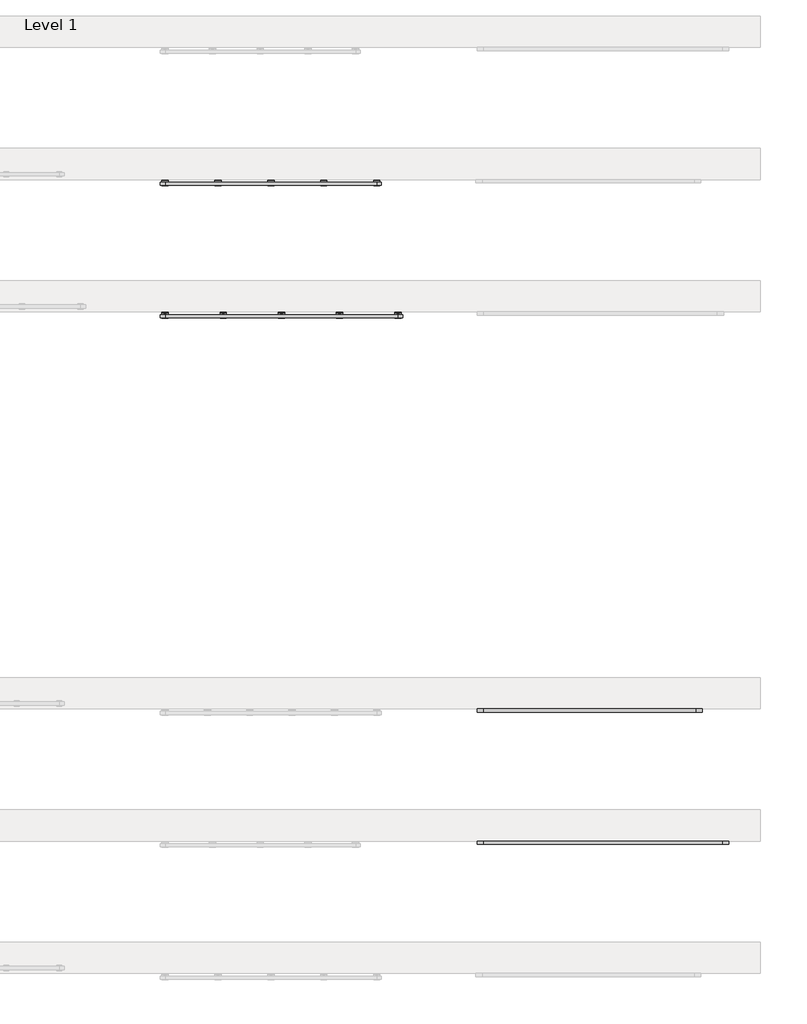
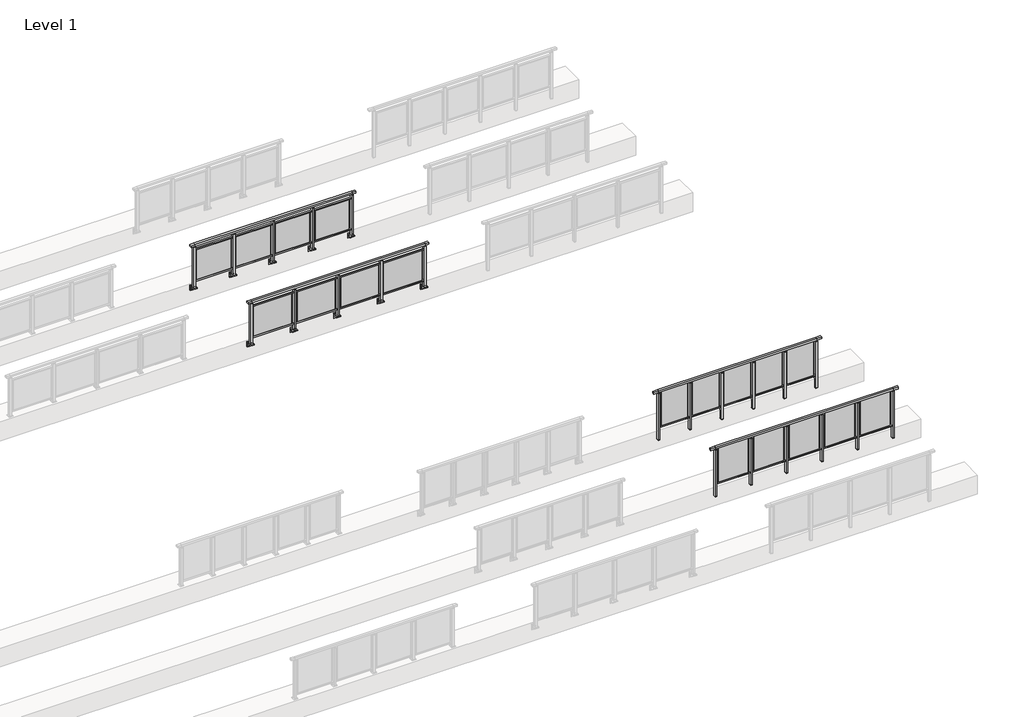
# One storey, part 30 of 37: 4 railings.
"""IFC4 building model written with IfcOpenShell, lengths in millimetres."""

from ifc_helpers import new_model, si_unit, point, frame, frame_2d, origin, place, context, project, spatial, polyline, circle_curve, trimmed, segment, composite_curve, outline, extrude, faceted_brep, element, save

model = new_model("IFC4")

# Units and contexts
model_context = context("Model", 3, world=origin())
ifc_project = project(units=[si_unit("LENGTHUNIT", "METRE", prefix="MILLI")], contexts=[model_context])

# Site, building, storey
site = spatial("IfcSite", under=ifc_project)
building = spatial("IfcBuilding", under=site)
storey = spatial("IfcBuildingStorey", under=building, Name="Level 1", Elevation=0.0)

# Railings
placement = place(None, origin())
element("IfcRailing", 1, at=placement, inside=storey, context=model_context, shape_type="SolidModel", body=[
    faceted_brep([(48027.0, 49897.6846828, 1055.0), (48027.0, 49897.6846828, 1100.0), (52527.0, 49897.6846828, 1100.0), (52527.0, 49897.6846828, 1055.0), (48027.0, 49837.6846828, 1055.0), (52527.0, 49837.6846828, 1055.0), (48027.0, 49837.6846828, 1100.0), (52527.0, 49837.6846828, 1100.0), (47899.5, 49897.6846828, 1100.0), (47899.5, 49897.6846828, 1055.0), (47899.5, 49837.6846828, 1055.0), (47899.5, 49837.6846828, 1100.0), (52654.5, 49897.6846828, 1100.0), (52654.5, 49837.6846828, 1100.0), (52654.5, 49837.6846828, 1055.0), (52654.5, 49897.6846828, 1055.0)], [[[0, 1, 2, 3]], [[4, 0, 3, 5]], [[6, 4, 5, 7]], [[1, 6, 7, 2]], [[8, 9, 10, 11]], [[9, 8, 1, 0]], [[10, 9, 0, 4]], [[11, 10, 4, 6]], [[8, 11, 6, 1]], [[12, 13, 14, 15]], [[3, 2, 12, 15]], [[5, 3, 15, 14]], [[7, 5, 14, 13]], [[2, 7, 13, 12]]]),
    extrude(outline(polyline([(48027.0, 49850.1846828), (48027.0, 49885.1846828), (52527.0, 49885.1846828), (52527.0, 49850.1846828), (48027.0, 49850.1846828)])), frame((0.0, 0.0, 95.0), z_axis=(0.0, 0.0, 1.0), x_axis=(1.0, 0.0, 0.0)), (0.0, 0.0, 1.0), 30.0),
    extrude(outline(polyline([(51699.5, 49865.9094929), (51699.5, 49871.9094929), (52454.5, 49871.9094929), (52454.5, 49865.9094929), (51699.5, 49865.9094929)])), frame((0.0, 0.0, 125.0), z_axis=(0.0, 0.0, 1.0), x_axis=(1.0, 0.0, 0.0)), (0.0, 0.0, 1.0), 930.0),
    extrude(outline(polyline([(51649.5, 49900.1846828), (51649.5, 49835.1846828), (51604.5, 49835.1846828), (51604.5, 49900.1846828), (51649.5, 49900.1846828)])), frame((0.0, 0.0, 1027.0), z_axis=(0.0, 0.0, 1.0), x_axis=(1.0, 0.0, 0.0)), (0.0, 0.0, 1.0), 8.0),
    extrude(outline(polyline([(51649.5, 49900.1846828), (51649.5, 49835.1846828), (51604.5, 49835.1846828), (51604.5, 49900.1846828), (51649.5, 49900.1846828)])), frame((0.0, 0.0, -212.0), z_axis=(0.0, 0.0, 1.0), x_axis=(1.0, 0.0, 0.0)), (0.0, 0.0, 1.0), 1239.0),
    extrude(outline(polyline([(51637.0, 49877.6846828), (51637.0, 49857.6846828), (51617.0, 49857.6846828), (51617.0, 49877.6846828), (51637.0, 49877.6846828)])), frame((0.0, 0.0, 1035.0), z_axis=(0.0, 0.0, 1.0), x_axis=(1.0, 0.0, 0.0)), (0.0, 0.0, 1.0), 20.0),
    extrude(outline(polyline([(51649.5, 49900.1846828), (51649.5, 49835.1846828), (51604.5, 49835.1846828), (51604.5, 49900.1846828), (51649.5, 49900.1846828)])), frame((0.0, 0.0, -220.0), z_axis=(0.0, 0.0, 1.0), x_axis=(1.0, 0.0, 0.0)), (0.0, 0.0, 1.0), 8.0),
    extrude(outline(polyline([(50799.5, 49865.9094929), (50799.5, 49871.9094929), (51554.5, 49871.9094929), (51554.5, 49865.9094929), (50799.5, 49865.9094929)])), frame((0.0, 0.0, 125.0), z_axis=(0.0, 0.0, 1.0), x_axis=(1.0, 0.0, 0.0)), (0.0, 0.0, 1.0), 930.0),
    extrude(outline(polyline([(50749.5, 49900.1846828), (50749.5, 49835.1846828), (50704.5, 49835.1846828), (50704.5, 49900.1846828), (50749.5, 49900.1846828)])), frame((0.0, 0.0, 1027.0), z_axis=(0.0, 0.0, 1.0), x_axis=(1.0, 0.0, 0.0)), (0.0, 0.0, 1.0), 8.0),
    extrude(outline(polyline([(50749.5, 49900.1846828), (50749.5, 49835.1846828), (50704.5, 49835.1846828), (50704.5, 49900.1846828), (50749.5, 49900.1846828)])), frame((0.0, 0.0, -212.0), z_axis=(0.0, 0.0, 1.0), x_axis=(1.0, 0.0, 0.0)), (0.0, 0.0, 1.0), 1239.0),
    extrude(outline(polyline([(50737.0, 49877.6846828), (50737.0, 49857.6846828), (50717.0, 49857.6846828), (50717.0, 49877.6846828), (50737.0, 49877.6846828)])), frame((0.0, 0.0, 1035.0), z_axis=(0.0, 0.0, 1.0), x_axis=(1.0, 0.0, 0.0)), (0.0, 0.0, 1.0), 20.0),
    extrude(outline(polyline([(50749.5, 49900.1846828), (50749.5, 49835.1846828), (50704.5, 49835.1846828), (50704.5, 49900.1846828), (50749.5, 49900.1846828)])), frame((0.0, 0.0, -220.0), z_axis=(0.0, 0.0, 1.0), x_axis=(1.0, 0.0, 0.0)), (0.0, 0.0, 1.0), 8.0),
    extrude(outline(polyline([(49899.5, 49865.9094929), (49899.5, 49871.9094929), (50654.5, 49871.9094929), (50654.5, 49865.9094929), (49899.5, 49865.9094929)])), frame((0.0, 0.0, 125.0), z_axis=(0.0, 0.0, 1.0), x_axis=(1.0, 0.0, 0.0)), (0.0, 0.0, 1.0), 930.0),
    extrude(outline(polyline([(49849.5, 49900.1846828), (49849.5, 49835.1846828), (49804.5, 49835.1846828), (49804.5, 49900.1846828), (49849.5, 49900.1846828)])), frame((0.0, 0.0, 1027.0), z_axis=(0.0, 0.0, 1.0), x_axis=(1.0, 0.0, 0.0)), (0.0, 0.0, 1.0), 8.0),
    extrude(outline(polyline([(49849.5, 49900.1846828), (49849.5, 49835.1846828), (49804.5, 49835.1846828), (49804.5, 49900.1846828), (49849.5, 49900.1846828)])), frame((0.0, 0.0, -212.0), z_axis=(0.0, 0.0, 1.0), x_axis=(1.0, 0.0, 0.0)), (0.0, 0.0, 1.0), 1239.0),
    extrude(outline(polyline([(49837.0, 49877.6846828), (49837.0, 49857.6846828), (49817.0, 49857.6846828), (49817.0, 49877.6846828), (49837.0, 49877.6846828)])), frame((0.0, 0.0, 1035.0), z_axis=(0.0, 0.0, 1.0), x_axis=(1.0, 0.0, 0.0)), (0.0, 0.0, 1.0), 20.0),
    extrude(outline(polyline([(49849.5, 49900.1846828), (49849.5, 49835.1846828), (49804.5, 49835.1846828), (49804.5, 49900.1846828), (49849.5, 49900.1846828)])), frame((0.0, 0.0, -220.0), z_axis=(0.0, 0.0, 1.0), x_axis=(1.0, 0.0, 0.0)), (0.0, 0.0, 1.0), 8.0),
    extrude(outline(polyline([(48999.5, 49865.9094929), (48999.5, 49871.9094929), (49754.5, 49871.9094929), (49754.5, 49865.9094929), (48999.5, 49865.9094929)])), frame((0.0, 0.0, 125.0), z_axis=(0.0, 0.0, 1.0), x_axis=(1.0, 0.0, 0.0)), (0.0, 0.0, 1.0), 930.0),
    extrude(outline(polyline([(48949.5, 49900.1846828), (48949.5, 49835.1846828), (48904.5, 49835.1846828), (48904.5, 49900.1846828), (48949.5, 49900.1846828)])), frame((0.0, 0.0, 1027.0), z_axis=(0.0, 0.0, 1.0), x_axis=(1.0, 0.0, 0.0)), (0.0, 0.0, 1.0), 8.0),
    extrude(outline(polyline([(48949.5, 49900.1846828), (48949.5, 49835.1846828), (48904.5, 49835.1846828), (48904.5, 49900.1846828), (48949.5, 49900.1846828)])), frame((0.0, 0.0, -212.0), z_axis=(0.0, 0.0, 1.0), x_axis=(1.0, 0.0, 0.0)), (0.0, 0.0, 1.0), 1239.0),
    extrude(outline(polyline([(48937.0, 49877.6846828), (48937.0, 49857.6846828), (48917.0, 49857.6846828), (48917.0, 49877.6846828), (48937.0, 49877.6846828)])), frame((0.0, 0.0, 1035.0), z_axis=(0.0, 0.0, 1.0), x_axis=(1.0, 0.0, 0.0)), (0.0, 0.0, 1.0), 20.0),
    extrude(outline(polyline([(48949.5, 49900.1846828), (48949.5, 49835.1846828), (48904.5, 49835.1846828), (48904.5, 49900.1846828), (48949.5, 49900.1846828)])), frame((0.0, 0.0, -220.0), z_axis=(0.0, 0.0, 1.0), x_axis=(1.0, 0.0, 0.0)), (0.0, 0.0, 1.0), 8.0),
    extrude(outline(polyline([(48099.5, 49865.9094929), (48099.5, 49871.9094929), (48854.5, 49871.9094929), (48854.5, 49865.9094929), (48099.5, 49865.9094929)])), frame((0.0, 0.0, 125.0), z_axis=(0.0, 0.0, 1.0), x_axis=(1.0, 0.0, 0.0)), (0.0, 0.0, 1.0), 930.0),
    extrude(outline(polyline([(52549.5, 49900.1846828), (52549.5, 49835.1846828), (52504.5, 49835.1846828), (52504.5, 49900.1846828), (52549.5, 49900.1846828)])), frame((0.0, 0.0, 1027.0), z_axis=(0.0, 0.0, 1.0), x_axis=(1.0, 0.0, 0.0)), (0.0, 0.0, 1.0), 8.0),
    extrude(outline(polyline([(52549.5, 49900.1846828), (52549.5, 49835.1846828), (52504.5, 49835.1846828), (52504.5, 49900.1846828), (52549.5, 49900.1846828)])), frame((0.0, 0.0, -212.0), z_axis=(0.0, 0.0, 1.0), x_axis=(1.0, 0.0, 0.0)), (0.0, 0.0, 1.0), 1239.0),
    extrude(outline(polyline([(52537.0, 49877.6846828), (52537.0, 49857.6846828), (52517.0, 49857.6846828), (52517.0, 49877.6846828), (52537.0, 49877.6846828)])), frame((0.0, 0.0, 1035.0), z_axis=(0.0, 0.0, 1.0), x_axis=(1.0, 0.0, 0.0)), (0.0, 0.0, 1.0), 20.0),
    extrude(outline(polyline([(52549.5, 49900.1846828), (52549.5, 49835.1846828), (52504.5, 49835.1846828), (52504.5, 49900.1846828), (52549.5, 49900.1846828)])), frame((0.0, 0.0, -220.0), z_axis=(0.0, 0.0, 1.0), x_axis=(1.0, 0.0, 0.0)), (0.0, 0.0, 1.0), 8.0),
    extrude(outline(polyline([(48049.5, 49900.1846828), (48049.5, 49835.1846828), (48004.5, 49835.1846828), (48004.5, 49900.1846828), (48049.5, 49900.1846828)])), frame((0.0, 0.0, 1027.0), z_axis=(0.0, 0.0, 1.0), x_axis=(1.0, 0.0, 0.0)), (0.0, 0.0, 1.0), 8.0),
    extrude(outline(polyline([(48049.5, 49900.1846828), (48049.5, 49835.1846828), (48004.5, 49835.1846828), (48004.5, 49900.1846828), (48049.5, 49900.1846828)])), frame((0.0, 0.0, -212.0), z_axis=(0.0, 0.0, 1.0), x_axis=(1.0, 0.0, 0.0)), (0.0, 0.0, 1.0), 1239.0),
    extrude(outline(polyline([(48037.0, 49877.6846828), (48037.0, 49857.6846828), (48017.0, 49857.6846828), (48017.0, 49877.6846828), (48037.0, 49877.6846828)])), frame((0.0, 0.0, 1035.0), z_axis=(0.0, 0.0, 1.0), x_axis=(1.0, 0.0, 0.0)), (0.0, 0.0, 1.0), 20.0),
    extrude(outline(polyline([(48049.5, 49900.1846828), (48049.5, 49835.1846828), (48004.5, 49835.1846828), (48004.5, 49900.1846828), (48049.5, 49900.1846828)])), frame((0.0, 0.0, -220.0), z_axis=(0.0, 0.0, 1.0), x_axis=(1.0, 0.0, 0.0)), (0.0, 0.0, 1.0), 8.0),
])
element("IfcRailing", 2, at=placement, inside=storey, context=model_context, shape_type="SolidModel", body=[
    faceted_brep([(48027.0, 52397.6846828, 1055.0), (48027.0, 52397.6846828, 1100.0), (52027.0, 52397.6846828, 1100.0), (52027.0, 52397.6846828, 1055.0), (48027.0, 52337.6846828, 1055.0), (52027.0, 52337.6846828, 1055.0), (48027.0, 52337.6846828, 1100.0), (52027.0, 52337.6846828, 1100.0), (47899.5, 52397.6846828, 1100.0), (47899.5, 52397.6846828, 1055.0), (47899.5, 52337.6846828, 1055.0), (47899.5, 52337.6846828, 1100.0), (52154.5, 52397.6846828, 1100.0), (52154.5, 52337.6846828, 1100.0), (52154.5, 52337.6846828, 1055.0), (52154.5, 52397.6846828, 1055.0)], [[[0, 1, 2, 3]], [[4, 0, 3, 5]], [[6, 4, 5, 7]], [[1, 6, 7, 2]], [[8, 9, 10, 11]], [[9, 8, 1, 0]], [[10, 9, 0, 4]], [[11, 10, 4, 6]], [[8, 11, 6, 1]], [[12, 13, 14, 15]], [[3, 2, 12, 15]], [[5, 3, 15, 14]], [[7, 5, 14, 13]], [[2, 7, 13, 12]]]),
    extrude(outline(polyline([(48027.0, 52350.1846828), (48027.0, 52385.1846828), (52027.0, 52385.1846828), (52027.0, 52350.1846828), (48027.0, 52350.1846828)])), frame((0.0, 0.0, 95.0), z_axis=(0.0, 0.0, 1.0), x_axis=(1.0, 0.0, 0.0)), (0.0, 0.0, 1.0), 30.0),
    extrude(outline(polyline([(51299.5, 52365.9094929), (51299.5, 52371.9094929), (51954.5, 52371.9094929), (51954.5, 52365.9094929), (51299.5, 52365.9094929)])), frame((0.0, 0.0, 125.0), z_axis=(0.0, 0.0, 1.0), x_axis=(1.0, 0.0, 0.0)), (0.0, 0.0, 1.0), 930.0),
    extrude(outline(polyline([(51249.5, 52400.1846828), (51249.5, 52335.1846828), (51204.5, 52335.1846828), (51204.5, 52400.1846828), (51249.5, 52400.1846828)])), frame((0.0, 0.0, 1027.0), z_axis=(0.0, 0.0, 1.0), x_axis=(1.0, 0.0, 0.0)), (0.0, 0.0, 1.0), 8.0),
    extrude(outline(polyline([(51249.5, 52400.1846828), (51249.5, 52335.1846828), (51204.5, 52335.1846828), (51204.5, 52400.1846828), (51249.5, 52400.1846828)])), frame((0.0, 0.0, -212.0), z_axis=(0.0, 0.0, 1.0), x_axis=(1.0, 0.0, 0.0)), (0.0, 0.0, 1.0), 1239.0),
    extrude(outline(polyline([(51237.0, 52377.6846828), (51237.0, 52357.6846828), (51217.0, 52357.6846828), (51217.0, 52377.6846828), (51237.0, 52377.6846828)])), frame((0.0, 0.0, 1035.0), z_axis=(0.0, 0.0, 1.0), x_axis=(1.0, 0.0, 0.0)), (0.0, 0.0, 1.0), 20.0),
    extrude(outline(polyline([(51249.5, 52400.1846828), (51249.5, 52335.1846828), (51204.5, 52335.1846828), (51204.5, 52400.1846828), (51249.5, 52400.1846828)])), frame((0.0, 0.0, -220.0), z_axis=(0.0, 0.0, 1.0), x_axis=(1.0, 0.0, 0.0)), (0.0, 0.0, 1.0), 8.0),
    extrude(outline(polyline([(50499.5, 52365.9094929), (50499.5, 52371.9094929), (51154.5, 52371.9094929), (51154.5, 52365.9094929), (50499.5, 52365.9094929)])), frame((0.0, 0.0, 125.0), z_axis=(0.0, 0.0, 1.0), x_axis=(1.0, 0.0, 0.0)), (0.0, 0.0, 1.0), 930.0),
    extrude(outline(polyline([(50449.5, 52400.1846828), (50449.5, 52335.1846828), (50404.5, 52335.1846828), (50404.5, 52400.1846828), (50449.5, 52400.1846828)])), frame((0.0, 0.0, 1027.0), z_axis=(0.0, 0.0, 1.0), x_axis=(1.0, 0.0, 0.0)), (0.0, 0.0, 1.0), 8.0),
    extrude(outline(polyline([(50449.5, 52400.1846828), (50449.5, 52335.1846828), (50404.5, 52335.1846828), (50404.5, 52400.1846828), (50449.5, 52400.1846828)])), frame((0.0, 0.0, -212.0), z_axis=(0.0, 0.0, 1.0), x_axis=(1.0, 0.0, 0.0)), (0.0, 0.0, 1.0), 1239.0),
    extrude(outline(polyline([(50437.0, 52377.6846828), (50437.0, 52357.6846828), (50417.0, 52357.6846828), (50417.0, 52377.6846828), (50437.0, 52377.6846828)])), frame((0.0, 0.0, 1035.0), z_axis=(0.0, 0.0, 1.0), x_axis=(1.0, 0.0, 0.0)), (0.0, 0.0, 1.0), 20.0),
    extrude(outline(polyline([(50449.5, 52400.1846828), (50449.5, 52335.1846828), (50404.5, 52335.1846828), (50404.5, 52400.1846828), (50449.5, 52400.1846828)])), frame((0.0, 0.0, -220.0), z_axis=(0.0, 0.0, 1.0), x_axis=(1.0, 0.0, 0.0)), (0.0, 0.0, 1.0), 8.0),
    extrude(outline(polyline([(49699.5, 52365.9094929), (49699.5, 52371.9094929), (50354.5, 52371.9094929), (50354.5, 52365.9094929), (49699.5, 52365.9094929)])), frame((0.0, 0.0, 125.0), z_axis=(0.0, 0.0, 1.0), x_axis=(1.0, 0.0, 0.0)), (0.0, 0.0, 1.0), 930.0),
    extrude(outline(polyline([(49649.5, 52400.1846828), (49649.5, 52335.1846828), (49604.5, 52335.1846828), (49604.5, 52400.1846828), (49649.5, 52400.1846828)])), frame((0.0, 0.0, 1027.0), z_axis=(0.0, 0.0, 1.0), x_axis=(1.0, 0.0, 0.0)), (0.0, 0.0, 1.0), 8.0),
    extrude(outline(polyline([(49649.5, 52400.1846828), (49649.5, 52335.1846828), (49604.5, 52335.1846828), (49604.5, 52400.1846828), (49649.5, 52400.1846828)])), frame((0.0, 0.0, -212.0), z_axis=(0.0, 0.0, 1.0), x_axis=(1.0, 0.0, 0.0)), (0.0, 0.0, 1.0), 1239.0),
    extrude(outline(polyline([(49637.0, 52377.6846828), (49637.0, 52357.6846828), (49617.0, 52357.6846828), (49617.0, 52377.6846828), (49637.0, 52377.6846828)])), frame((0.0, 0.0, 1035.0), z_axis=(0.0, 0.0, 1.0), x_axis=(1.0, 0.0, 0.0)), (0.0, 0.0, 1.0), 20.0),
    extrude(outline(polyline([(49649.5, 52400.1846828), (49649.5, 52335.1846828), (49604.5, 52335.1846828), (49604.5, 52400.1846828), (49649.5, 52400.1846828)])), frame((0.0, 0.0, -220.0), z_axis=(0.0, 0.0, 1.0), x_axis=(1.0, 0.0, 0.0)), (0.0, 0.0, 1.0), 8.0),
    extrude(outline(polyline([(48899.5, 52365.9094929), (48899.5, 52371.9094929), (49554.5, 52371.9094929), (49554.5, 52365.9094929), (48899.5, 52365.9094929)])), frame((0.0, 0.0, 125.0), z_axis=(0.0, 0.0, 1.0), x_axis=(1.0, 0.0, 0.0)), (0.0, 0.0, 1.0), 930.0),
    extrude(outline(polyline([(48849.5, 52400.1846828), (48849.5, 52335.1846828), (48804.5, 52335.1846828), (48804.5, 52400.1846828), (48849.5, 52400.1846828)])), frame((0.0, 0.0, 1027.0), z_axis=(0.0, 0.0, 1.0), x_axis=(1.0, 0.0, 0.0)), (0.0, 0.0, 1.0), 8.0),
    extrude(outline(polyline([(48849.5, 52400.1846828), (48849.5, 52335.1846828), (48804.5, 52335.1846828), (48804.5, 52400.1846828), (48849.5, 52400.1846828)])), frame((0.0, 0.0, -212.0), z_axis=(0.0, 0.0, 1.0), x_axis=(1.0, 0.0, 0.0)), (0.0, 0.0, 1.0), 1239.0),
    extrude(outline(polyline([(48837.0, 52377.6846828), (48837.0, 52357.6846828), (48817.0, 52357.6846828), (48817.0, 52377.6846828), (48837.0, 52377.6846828)])), frame((0.0, 0.0, 1035.0), z_axis=(0.0, 0.0, 1.0), x_axis=(1.0, 0.0, 0.0)), (0.0, 0.0, 1.0), 20.0),
    extrude(outline(polyline([(48849.5, 52400.1846828), (48849.5, 52335.1846828), (48804.5, 52335.1846828), (48804.5, 52400.1846828), (48849.5, 52400.1846828)])), frame((0.0, 0.0, -220.0), z_axis=(0.0, 0.0, 1.0), x_axis=(1.0, 0.0, 0.0)), (0.0, 0.0, 1.0), 8.0),
    extrude(outline(polyline([(48099.5, 52365.9094929), (48099.5, 52371.9094929), (48754.5, 52371.9094929), (48754.5, 52365.9094929), (48099.5, 52365.9094929)])), frame((0.0, 0.0, 125.0), z_axis=(0.0, 0.0, 1.0), x_axis=(1.0, 0.0, 0.0)), (0.0, 0.0, 1.0), 930.0),
    extrude(outline(polyline([(52049.5, 52400.1846828), (52049.5, 52335.1846828), (52004.5, 52335.1846828), (52004.5, 52400.1846828), (52049.5, 52400.1846828)])), frame((0.0, 0.0, 1027.0), z_axis=(0.0, 0.0, 1.0), x_axis=(1.0, 0.0, 0.0)), (0.0, 0.0, 1.0), 8.0),
    extrude(outline(polyline([(52049.5, 52400.1846828), (52049.5, 52335.1846828), (52004.5, 52335.1846828), (52004.5, 52400.1846828), (52049.5, 52400.1846828)])), frame((0.0, 0.0, -212.0), z_axis=(0.0, 0.0, 1.0), x_axis=(1.0, 0.0, 0.0)), (0.0, 0.0, 1.0), 1239.0),
    extrude(outline(polyline([(52037.0, 52377.6846828), (52037.0, 52357.6846828), (52017.0, 52357.6846828), (52017.0, 52377.6846828), (52037.0, 52377.6846828)])), frame((0.0, 0.0, 1035.0), z_axis=(0.0, 0.0, 1.0), x_axis=(1.0, 0.0, 0.0)), (0.0, 0.0, 1.0), 20.0),
    extrude(outline(polyline([(52049.5, 52400.1846828), (52049.5, 52335.1846828), (52004.5, 52335.1846828), (52004.5, 52400.1846828), (52049.5, 52400.1846828)])), frame((0.0, 0.0, -220.0), z_axis=(0.0, 0.0, 1.0), x_axis=(1.0, 0.0, 0.0)), (0.0, 0.0, 1.0), 8.0),
    extrude(outline(polyline([(48049.5, 52400.1846828), (48049.5, 52335.1846828), (48004.5, 52335.1846828), (48004.5, 52400.1846828), (48049.5, 52400.1846828)])), frame((0.0, 0.0, 1027.0), z_axis=(0.0, 0.0, 1.0), x_axis=(1.0, 0.0, 0.0)), (0.0, 0.0, 1.0), 8.0),
    extrude(outline(polyline([(48049.5, 52400.1846828), (48049.5, 52335.1846828), (48004.5, 52335.1846828), (48004.5, 52400.1846828), (48049.5, 52400.1846828)])), frame((0.0, 0.0, -212.0), z_axis=(0.0, 0.0, 1.0), x_axis=(1.0, 0.0, 0.0)), (0.0, 0.0, 1.0), 1239.0),
    extrude(outline(polyline([(48037.0, 52377.6846828), (48037.0, 52357.6846828), (48017.0, 52357.6846828), (48017.0, 52377.6846828), (48037.0, 52377.6846828)])), frame((0.0, 0.0, 1035.0), z_axis=(0.0, 0.0, 1.0), x_axis=(1.0, 0.0, 0.0)), (0.0, 0.0, 1.0), 20.0),
    extrude(outline(polyline([(48049.5, 52400.1846828), (48049.5, 52335.1846828), (48004.5, 52335.1846828), (48004.5, 52400.1846828), (48049.5, 52400.1846828)])), frame((0.0, 0.0, -220.0), z_axis=(0.0, 0.0, 1.0), x_axis=(1.0, 0.0, 0.0)), (0.0, 0.0, 1.0), 8.0),
])
element("IfcRailing", 3, at=placement, inside=storey, context=model_context, shape_type="SolidModel", body=[
    faceted_brep([(41910.0, 59847.6846828, 1100.0), (41910.0, 59847.6846828, 1055.0), (41910.0, 59787.6846828, 1055.0), (41910.0, 59787.6846828, 1100.0), (42000.0, 59847.6846828, 1100.0), (42000.0, 59847.6846828, 1055.0), (42000.0, 59787.6846828, 1055.0), (42000.0, 59787.6846828, 1100.0), (46400.0, 59847.6846828, 1100.0), (46400.0, 59847.6846828, 1055.0), (46400.0, 59787.6846828, 1055.0), (46400.0, 59787.6846828, 1100.0), (46490.0, 59847.6846828, 1100.0), (46490.0, 59787.6846828, 1100.0), (46490.0, 59787.6846828, 1055.0), (46490.0, 59847.6846828, 1055.0)], [[[0, 1, 2, 3]], [[1, 0, 4, 5]], [[2, 1, 5, 6]], [[3, 2, 6, 7]], [[0, 3, 7, 4]], [[5, 4, 8, 9]], [[6, 5, 9, 10]], [[7, 6, 10, 11]], [[4, 7, 11, 8]], [[12, 13, 14, 15]], [[9, 8, 12, 15]], [[10, 9, 15, 14]], [[11, 10, 14, 13]], [[8, 11, 13, 12]]]),
    extrude(outline(polyline([(42000.0, 59800.1846828), (42000.0, 59835.1846828), (46400.0, 59835.1846828), (46400.0, 59800.1846828), (42000.0, 59800.1846828)])), frame((0.0, 0.0, 930.0), z_axis=(0.0, 0.0, 1.0), x_axis=(1.0, 0.0, 0.0)), (0.0, 0.0, 1.0), 30.0),
    extrude(outline(polyline([(42000.0, 59800.1846828), (42000.0, 59835.1846828), (46400.0, 59835.1846828), (46400.0, 59800.1846828), (42000.0, 59800.1846828)])), frame((0.0, 0.0, 95.0), z_axis=(0.0, 0.0, 1.0), x_axis=(1.0, 0.0, 0.0)), (0.0, 0.0, 1.0), 30.0),
    extrude(outline(polyline([(45372.5, 59815.9094929), (45372.5, 59821.9094929), (46327.5, 59821.9094929), (46327.5, 59815.9094929), (45372.5, 59815.9094929)])), frame((0.0, 0.0, 125.0), z_axis=(0.0, 0.0, 1.0), x_axis=(1.0, 0.0, 0.0)), (0.0, 0.0, 1.0), 805.0),
    extrude(outline(composite_curve([segment(polyline([(59850.1846828, -70.0), (59884.1846828, -63.0), (59884.1846828, -32.5), (59900.1846828, -32.5), (59900.1846828, -167.5), (59884.1846828, -167.5), (59884.1846828, -113.5)]), True, "CONTINUOUS"), segment(trimmed(circle_curve(frame_2d((59864.1846828, -113.5)), 20.0), [point((59884.1846828, -113.5))], [point((59864.1846828, -93.5))], True, "CARTESIAN"), True, "CONTINUOUS"), segment(polyline([(59864.1846828, -93.5), (59780.1846828, -93.5), (59780.1846828, -70.0), (59850.1846828, -70.0)]), True, "CONTINUOUS")], self_intersect=False)), frame((45240.0, 0.0, 0.0), z_axis=(1.0, 0.0, 0.0), x_axis=(0.0, 1.0, 0.0)), (0.0, 0.0, 1.0), 120.0),
    extrude(outline(polyline([(45322.5, 59850.1846828), (45322.5, 59785.1846828), (45277.5, 59785.1846828), (45277.5, 59850.1846828), (45322.5, 59850.1846828)])), frame((0.0, 0.0, -70.0), z_axis=(0.0, 0.0, 1.0), x_axis=(1.0, 0.0, 0.0)), (0.0, 0.0, 1.0), 1097.0),
    extrude(outline(polyline([(45310.0, 59827.6846828), (45310.0, 59807.6846828), (45290.0, 59807.6846828), (45290.0, 59827.6846828), (45310.0, 59827.6846828)])), frame((0.0, 0.0, 1035.0), z_axis=(0.0, 0.0, 1.0), x_axis=(1.0, 0.0, 0.0)), (0.0, 0.0, 1.0), 20.0),
    extrude(outline(polyline([(45322.5, 59850.1846828), (45322.5, 59785.1846828), (45277.5, 59785.1846828), (45277.5, 59850.1846828), (45322.5, 59850.1846828)])), frame((0.0, 0.0, 1027.0), z_axis=(0.0, 0.0, 1.0), x_axis=(1.0, 0.0, 0.0)), (0.0, 0.0, 1.0), 8.0),
    extrude(outline(polyline([(44272.5, 59815.9094929), (44272.5, 59821.9094929), (45227.5, 59821.9094929), (45227.5, 59815.9094929), (44272.5, 59815.9094929)])), frame((0.0, 0.0, 125.0), z_axis=(0.0, 0.0, 1.0), x_axis=(1.0, 0.0, 0.0)), (0.0, 0.0, 1.0), 805.0),
    extrude(outline(composite_curve([segment(polyline([(59850.1846828, -70.0), (59884.1846828, -63.0), (59884.1846828, -32.5), (59900.1846828, -32.5), (59900.1846828, -167.5), (59884.1846828, -167.5), (59884.1846828, -113.5)]), True, "CONTINUOUS"), segment(trimmed(circle_curve(frame_2d((59864.1846828, -113.5)), 20.0), [point((59884.1846828, -113.5))], [point((59864.1846828, -93.5))], True, "CARTESIAN"), True, "CONTINUOUS"), segment(polyline([(59864.1846828, -93.5), (59780.1846828, -93.5), (59780.1846828, -70.0), (59850.1846828, -70.0)]), True, "CONTINUOUS")], self_intersect=False)), frame((44140.0, 0.0, 0.0), z_axis=(1.0, 0.0, 0.0), x_axis=(0.0, 1.0, 0.0)), (0.0, 0.0, 1.0), 120.0),
    extrude(outline(polyline([(44222.5, 59850.1846828), (44222.5, 59785.1846828), (44177.5, 59785.1846828), (44177.5, 59850.1846828), (44222.5, 59850.1846828)])), frame((0.0, 0.0, -70.0), z_axis=(0.0, 0.0, 1.0), x_axis=(1.0, 0.0, 0.0)), (0.0, 0.0, 1.0), 1097.0),
    extrude(outline(polyline([(44210.0, 59827.6846828), (44210.0, 59807.6846828), (44190.0, 59807.6846828), (44190.0, 59827.6846828), (44210.0, 59827.6846828)])), frame((0.0, 0.0, 1035.0), z_axis=(0.0, 0.0, 1.0), x_axis=(1.0, 0.0, 0.0)), (0.0, 0.0, 1.0), 20.0),
    extrude(outline(polyline([(44222.5, 59850.1846828), (44222.5, 59785.1846828), (44177.5, 59785.1846828), (44177.5, 59850.1846828), (44222.5, 59850.1846828)])), frame((0.0, 0.0, 1027.0), z_axis=(0.0, 0.0, 1.0), x_axis=(1.0, 0.0, 0.0)), (0.0, 0.0, 1.0), 8.0),
    extrude(outline(polyline([(43172.5, 59815.9094929), (43172.5, 59821.9094929), (44127.5, 59821.9094929), (44127.5, 59815.9094929), (43172.5, 59815.9094929)])), frame((0.0, 0.0, 125.0), z_axis=(0.0, 0.0, 1.0), x_axis=(1.0, 0.0, 0.0)), (0.0, 0.0, 1.0), 805.0),
    extrude(outline(composite_curve([segment(polyline([(59850.1846828, -70.0), (59884.1846828, -63.0), (59884.1846828, -32.5), (59900.1846828, -32.5), (59900.1846828, -167.5), (59884.1846828, -167.5), (59884.1846828, -113.5)]), True, "CONTINUOUS"), segment(trimmed(circle_curve(frame_2d((59864.1846828, -113.5)), 20.0), [point((59884.1846828, -113.5))], [point((59864.1846828, -93.5))], True, "CARTESIAN"), True, "CONTINUOUS"), segment(polyline([(59864.1846828, -93.5), (59780.1846828, -93.5), (59780.1846828, -70.0), (59850.1846828, -70.0)]), True, "CONTINUOUS")], self_intersect=False)), frame((43040.0, 0.0, 0.0), z_axis=(1.0, 0.0, 0.0), x_axis=(0.0, 1.0, 0.0)), (0.0, 0.0, 1.0), 120.0),
    extrude(outline(polyline([(43122.5, 59850.1846828), (43122.5, 59785.1846828), (43077.5, 59785.1846828), (43077.5, 59850.1846828), (43122.5, 59850.1846828)])), frame((0.0, 0.0, -70.0), z_axis=(0.0, 0.0, 1.0), x_axis=(1.0, 0.0, 0.0)), (0.0, 0.0, 1.0), 1097.0),
    extrude(outline(polyline([(43110.0, 59827.6846828), (43110.0, 59807.6846828), (43090.0, 59807.6846828), (43090.0, 59827.6846828), (43110.0, 59827.6846828)])), frame((0.0, 0.0, 1035.0), z_axis=(0.0, 0.0, 1.0), x_axis=(1.0, 0.0, 0.0)), (0.0, 0.0, 1.0), 20.0),
    extrude(outline(polyline([(43122.5, 59850.1846828), (43122.5, 59785.1846828), (43077.5, 59785.1846828), (43077.5, 59850.1846828), (43122.5, 59850.1846828)])), frame((0.0, 0.0, 1027.0), z_axis=(0.0, 0.0, 1.0), x_axis=(1.0, 0.0, 0.0)), (0.0, 0.0, 1.0), 8.0),
    extrude(outline(polyline([(42072.5, 59815.9094929), (42072.5, 59821.9094929), (43027.5, 59821.9094929), (43027.5, 59815.9094929), (42072.5, 59815.9094929)])), frame((0.0, 0.0, 125.0), z_axis=(0.0, 0.0, 1.0), x_axis=(1.0, 0.0, 0.0)), (0.0, 0.0, 1.0), 805.0),
    extrude(outline(composite_curve([segment(polyline([(59850.1846828, -70.0), (59884.1846828, -63.0), (59884.1846828, -32.5), (59900.1846828, -32.5), (59900.1846828, -167.5), (59884.1846828, -167.5), (59884.1846828, -113.5)]), True, "CONTINUOUS"), segment(trimmed(circle_curve(frame_2d((59864.1846828, -113.5)), 20.0), [point((59884.1846828, -113.5))], [point((59864.1846828, -93.5))], True, "CARTESIAN"), True, "CONTINUOUS"), segment(polyline([(59864.1846828, -93.5), (59780.1846828, -93.5), (59780.1846828, -70.0), (59850.1846828, -70.0)]), True, "CONTINUOUS")], self_intersect=False)), frame((46340.0, 0.0, 0.0), z_axis=(1.0, 0.0, 0.0), x_axis=(0.0, 1.0, 0.0)), (0.0, 0.0, 1.0), 120.0),
    extrude(outline(polyline([(46422.5, 59850.1846828), (46422.5, 59785.1846828), (46377.5, 59785.1846828), (46377.5, 59850.1846828), (46422.5, 59850.1846828)])), frame((0.0, 0.0, -70.0), z_axis=(0.0, 0.0, 1.0), x_axis=(1.0, 0.0, 0.0)), (0.0, 0.0, 1.0), 1097.0),
    extrude(outline(polyline([(46410.0, 59827.6846828), (46410.0, 59807.6846828), (46390.0, 59807.6846828), (46390.0, 59827.6846828), (46410.0, 59827.6846828)])), frame((0.0, 0.0, 1035.0), z_axis=(0.0, 0.0, 1.0), x_axis=(1.0, 0.0, 0.0)), (0.0, 0.0, 1.0), 20.0),
    extrude(outline(polyline([(46422.5, 59850.1846828), (46422.5, 59785.1846828), (46377.5, 59785.1846828), (46377.5, 59850.1846828), (46422.5, 59850.1846828)])), frame((0.0, 0.0, 1027.0), z_axis=(0.0, 0.0, 1.0), x_axis=(1.0, 0.0, 0.0)), (0.0, 0.0, 1.0), 8.0),
    extrude(outline(composite_curve([segment(polyline([(59850.1846828, -70.0), (59884.1846828, -63.0), (59884.1846828, -32.5), (59900.1846828, -32.5), (59900.1846828, -167.5), (59884.1846828, -167.5), (59884.1846828, -113.5)]), True, "CONTINUOUS"), segment(trimmed(circle_curve(frame_2d((59864.1846828, -113.5)), 20.0), [point((59884.1846828, -113.5))], [point((59864.1846828, -93.5))], True, "CARTESIAN"), True, "CONTINUOUS"), segment(polyline([(59864.1846828, -93.5), (59780.1846828, -93.5), (59780.1846828, -70.0), (59850.1846828, -70.0)]), True, "CONTINUOUS")], self_intersect=False)), frame((41940.0, 0.0, 0.0), z_axis=(1.0, 0.0, 0.0), x_axis=(0.0, 1.0, 0.0)), (0.0, 0.0, 1.0), 120.0),
    extrude(outline(polyline([(42022.5, 59850.1846828), (42022.5, 59785.1846828), (41977.5, 59785.1846828), (41977.5, 59850.1846828), (42022.5, 59850.1846828)])), frame((0.0, 0.0, -70.0), z_axis=(0.0, 0.0, 1.0), x_axis=(1.0, 0.0, 0.0)), (0.0, 0.0, 1.0), 1097.0),
    extrude(outline(polyline([(42010.0, 59827.6846828), (42010.0, 59807.6846828), (41990.0, 59807.6846828), (41990.0, 59827.6846828), (42010.0, 59827.6846828)])), frame((0.0, 0.0, 1035.0), z_axis=(0.0, 0.0, 1.0), x_axis=(1.0, 0.0, 0.0)), (0.0, 0.0, 1.0), 20.0),
    extrude(outline(polyline([(42022.5, 59850.1846828), (42022.5, 59785.1846828), (41977.5, 59785.1846828), (41977.5, 59850.1846828), (42022.5, 59850.1846828)])), frame((0.0, 0.0, 1027.0), z_axis=(0.0, 0.0, 1.0), x_axis=(1.0, 0.0, 0.0)), (0.0, 0.0, 1.0), 8.0),
])
element("IfcRailing", 4, at=placement, inside=storey, context=model_context, shape_type="SolidModel", body=[
    faceted_brep([(41910.0, 62347.6846828, 1100.0), (41910.0, 62347.6846828, 1055.0), (41910.0, 62287.6846828, 1055.0), (41910.0, 62287.6846828, 1100.0), (42000.0, 62347.6846828, 1100.0), (42000.0, 62347.6846828, 1055.0), (42000.0, 62287.6846828, 1055.0), (42000.0, 62287.6846828, 1100.0), (46000.0, 62347.6846828, 1100.0), (46000.0, 62347.6846828, 1055.0), (46000.0, 62287.6846828, 1055.0), (46000.0, 62287.6846828, 1100.0), (46090.0, 62347.6846828, 1100.0), (46090.0, 62287.6846828, 1100.0), (46090.0, 62287.6846828, 1055.0), (46090.0, 62347.6846828, 1055.0)], [[[0, 1, 2, 3]], [[1, 0, 4, 5]], [[2, 1, 5, 6]], [[3, 2, 6, 7]], [[0, 3, 7, 4]], [[5, 4, 8, 9]], [[6, 5, 9, 10]], [[7, 6, 10, 11]], [[4, 7, 11, 8]], [[12, 13, 14, 15]], [[9, 8, 12, 15]], [[10, 9, 15, 14]], [[11, 10, 14, 13]], [[8, 11, 13, 12]]]),
    extrude(outline(polyline([(42000.0, 62300.1846828), (42000.0, 62335.1846828), (46000.0, 62335.1846828), (46000.0, 62300.1846828), (42000.0, 62300.1846828)])), frame((0.0, 0.0, 930.0), z_axis=(0.0, 0.0, 1.0), x_axis=(1.0, 0.0, 0.0)), (0.0, 0.0, 1.0), 30.0),
    extrude(outline(polyline([(42000.0, 62300.1846828), (42000.0, 62335.1846828), (46000.0, 62335.1846828), (46000.0, 62300.1846828), (42000.0, 62300.1846828)])), frame((0.0, 0.0, 95.0), z_axis=(0.0, 0.0, 1.0), x_axis=(1.0, 0.0, 0.0)), (0.0, 0.0, 1.0), 30.0),
    extrude(outline(polyline([(45072.5, 62315.9094929), (45072.5, 62321.9094929), (45927.5, 62321.9094929), (45927.5, 62315.9094929), (45072.5, 62315.9094929)])), frame((0.0, 0.0, 125.0), z_axis=(0.0, 0.0, 1.0), x_axis=(1.0, 0.0, 0.0)), (0.0, 0.0, 1.0), 805.0),
    extrude(outline(composite_curve([segment(polyline([(62350.1846828, -70.0), (62384.1846828, -63.0), (62384.1846828, -32.5), (62400.1846828, -32.5), (62400.1846828, -167.5), (62384.1846828, -167.5), (62384.1846828, -113.5)]), True, "CONTINUOUS"), segment(trimmed(circle_curve(frame_2d((62364.1846828, -113.5)), 20.0), [point((62384.1846828, -113.5))], [point((62364.1846828, -93.5))], True, "CARTESIAN"), True, "CONTINUOUS"), segment(polyline([(62364.1846828, -93.5), (62280.1846828, -93.5), (62280.1846828, -70.0), (62350.1846828, -70.0)]), True, "CONTINUOUS")], self_intersect=False)), frame((44940.0, 0.0, 0.0), z_axis=(1.0, 0.0, 0.0), x_axis=(0.0, 1.0, 0.0)), (0.0, 0.0, 1.0), 120.0),
    extrude(outline(polyline([(45022.5, 62350.1846828), (45022.5, 62285.1846828), (44977.5, 62285.1846828), (44977.5, 62350.1846828), (45022.5, 62350.1846828)])), frame((0.0, 0.0, -70.0), z_axis=(0.0, 0.0, 1.0), x_axis=(1.0, 0.0, 0.0)), (0.0, 0.0, 1.0), 1097.0),
    extrude(outline(polyline([(45010.0, 62327.6846828), (45010.0, 62307.6846828), (44990.0, 62307.6846828), (44990.0, 62327.6846828), (45010.0, 62327.6846828)])), frame((0.0, 0.0, 1035.0), z_axis=(0.0, 0.0, 1.0), x_axis=(1.0, 0.0, 0.0)), (0.0, 0.0, 1.0), 20.0),
    extrude(outline(polyline([(45022.5, 62350.1846828), (45022.5, 62285.1846828), (44977.5, 62285.1846828), (44977.5, 62350.1846828), (45022.5, 62350.1846828)])), frame((0.0, 0.0, 1027.0), z_axis=(0.0, 0.0, 1.0), x_axis=(1.0, 0.0, 0.0)), (0.0, 0.0, 1.0), 8.0),
    extrude(outline(polyline([(44072.5, 62315.9094929), (44072.5, 62321.9094929), (44927.5, 62321.9094929), (44927.5, 62315.9094929), (44072.5, 62315.9094929)])), frame((0.0, 0.0, 125.0), z_axis=(0.0, 0.0, 1.0), x_axis=(1.0, 0.0, 0.0)), (0.0, 0.0, 1.0), 805.0),
    extrude(outline(composite_curve([segment(polyline([(62350.1846828, -70.0), (62384.1846828, -63.0), (62384.1846828, -32.5), (62400.1846828, -32.5), (62400.1846828, -167.5), (62384.1846828, -167.5), (62384.1846828, -113.5)]), True, "CONTINUOUS"), segment(trimmed(circle_curve(frame_2d((62364.1846828, -113.5)), 20.0), [point((62384.1846828, -113.5))], [point((62364.1846828, -93.5))], True, "CARTESIAN"), True, "CONTINUOUS"), segment(polyline([(62364.1846828, -93.5), (62280.1846828, -93.5), (62280.1846828, -70.0), (62350.1846828, -70.0)]), True, "CONTINUOUS")], self_intersect=False)), frame((43940.0, 0.0, 0.0), z_axis=(1.0, 0.0, 0.0), x_axis=(0.0, 1.0, 0.0)), (0.0, 0.0, 1.0), 120.0),
    extrude(outline(polyline([(44022.5, 62350.1846828), (44022.5, 62285.1846828), (43977.5, 62285.1846828), (43977.5, 62350.1846828), (44022.5, 62350.1846828)])), frame((0.0, 0.0, -70.0), z_axis=(0.0, 0.0, 1.0), x_axis=(1.0, 0.0, 0.0)), (0.0, 0.0, 1.0), 1097.0),
    extrude(outline(polyline([(44010.0, 62327.6846828), (44010.0, 62307.6846828), (43990.0, 62307.6846828), (43990.0, 62327.6846828), (44010.0, 62327.6846828)])), frame((0.0, 0.0, 1035.0), z_axis=(0.0, 0.0, 1.0), x_axis=(1.0, 0.0, 0.0)), (0.0, 0.0, 1.0), 20.0),
    extrude(outline(polyline([(44022.5, 62350.1846828), (44022.5, 62285.1846828), (43977.5, 62285.1846828), (43977.5, 62350.1846828), (44022.5, 62350.1846828)])), frame((0.0, 0.0, 1027.0), z_axis=(0.0, 0.0, 1.0), x_axis=(1.0, 0.0, 0.0)), (0.0, 0.0, 1.0), 8.0),
    extrude(outline(polyline([(43072.5, 62315.9094929), (43072.5, 62321.9094929), (43927.5, 62321.9094929), (43927.5, 62315.9094929), (43072.5, 62315.9094929)])), frame((0.0, 0.0, 125.0), z_axis=(0.0, 0.0, 1.0), x_axis=(1.0, 0.0, 0.0)), (0.0, 0.0, 1.0), 805.0),
    extrude(outline(composite_curve([segment(polyline([(62350.1846828, -70.0), (62384.1846828, -63.0), (62384.1846828, -32.5), (62400.1846828, -32.5), (62400.1846828, -167.5), (62384.1846828, -167.5), (62384.1846828, -113.5)]), True, "CONTINUOUS"), segment(trimmed(circle_curve(frame_2d((62364.1846828, -113.5)), 20.0), [point((62384.1846828, -113.5))], [point((62364.1846828, -93.5))], True, "CARTESIAN"), True, "CONTINUOUS"), segment(polyline([(62364.1846828, -93.5), (62280.1846828, -93.5), (62280.1846828, -70.0), (62350.1846828, -70.0)]), True, "CONTINUOUS")], self_intersect=False)), frame((42940.0, 0.0, 0.0), z_axis=(1.0, 0.0, 0.0), x_axis=(0.0, 1.0, 0.0)), (0.0, 0.0, 1.0), 120.0),
    extrude(outline(polyline([(43022.5, 62350.1846828), (43022.5, 62285.1846828), (42977.5, 62285.1846828), (42977.5, 62350.1846828), (43022.5, 62350.1846828)])), frame((0.0, 0.0, -70.0), z_axis=(0.0, 0.0, 1.0), x_axis=(1.0, 0.0, 0.0)), (0.0, 0.0, 1.0), 1097.0),
    extrude(outline(polyline([(43010.0, 62327.6846828), (43010.0, 62307.6846828), (42990.0, 62307.6846828), (42990.0, 62327.6846828), (43010.0, 62327.6846828)])), frame((0.0, 0.0, 1035.0), z_axis=(0.0, 0.0, 1.0), x_axis=(1.0, 0.0, 0.0)), (0.0, 0.0, 1.0), 20.0),
    extrude(outline(polyline([(43022.5, 62350.1846828), (43022.5, 62285.1846828), (42977.5, 62285.1846828), (42977.5, 62350.1846828), (43022.5, 62350.1846828)])), frame((0.0, 0.0, 1027.0), z_axis=(0.0, 0.0, 1.0), x_axis=(1.0, 0.0, 0.0)), (0.0, 0.0, 1.0), 8.0),
    extrude(outline(polyline([(42072.5, 62315.9094929), (42072.5, 62321.9094929), (42927.5, 62321.9094929), (42927.5, 62315.9094929), (42072.5, 62315.9094929)])), frame((0.0, 0.0, 125.0), z_axis=(0.0, 0.0, 1.0), x_axis=(1.0, 0.0, 0.0)), (0.0, 0.0, 1.0), 805.0),
    extrude(outline(composite_curve([segment(polyline([(62350.1846828, -70.0), (62384.1846828, -63.0), (62384.1846828, -32.5), (62400.1846828, -32.5), (62400.1846828, -167.5), (62384.1846828, -167.5), (62384.1846828, -113.5)]), True, "CONTINUOUS"), segment(trimmed(circle_curve(frame_2d((62364.1846828, -113.5)), 20.0), [point((62384.1846828, -113.5))], [point((62364.1846828, -93.5))], True, "CARTESIAN"), True, "CONTINUOUS"), segment(polyline([(62364.1846828, -93.5), (62280.1846828, -93.5), (62280.1846828, -70.0), (62350.1846828, -70.0)]), True, "CONTINUOUS")], self_intersect=False)), frame((45940.0, 0.0, 0.0), z_axis=(1.0, 0.0, 0.0), x_axis=(0.0, 1.0, 0.0)), (0.0, 0.0, 1.0), 120.0),
    extrude(outline(polyline([(46022.5, 62350.1846828), (46022.5, 62285.1846828), (45977.5, 62285.1846828), (45977.5, 62350.1846828), (46022.5, 62350.1846828)])), frame((0.0, 0.0, -70.0), z_axis=(0.0, 0.0, 1.0), x_axis=(1.0, 0.0, 0.0)), (0.0, 0.0, 1.0), 1097.0),
    extrude(outline(polyline([(46010.0, 62327.6846828), (46010.0, 62307.6846828), (45990.0, 62307.6846828), (45990.0, 62327.6846828), (46010.0, 62327.6846828)])), frame((0.0, 0.0, 1035.0), z_axis=(0.0, 0.0, 1.0), x_axis=(1.0, 0.0, 0.0)), (0.0, 0.0, 1.0), 20.0),
    extrude(outline(polyline([(46022.5, 62350.1846828), (46022.5, 62285.1846828), (45977.5, 62285.1846828), (45977.5, 62350.1846828), (46022.5, 62350.1846828)])), frame((0.0, 0.0, 1027.0), z_axis=(0.0, 0.0, 1.0), x_axis=(1.0, 0.0, 0.0)), (0.0, 0.0, 1.0), 8.0),
    extrude(outline(composite_curve([segment(polyline([(62350.1846828, -70.0), (62384.1846828, -63.0), (62384.1846828, -32.5), (62400.1846828, -32.5), (62400.1846828, -167.5), (62384.1846828, -167.5), (62384.1846828, -113.5)]), True, "CONTINUOUS"), segment(trimmed(circle_curve(frame_2d((62364.1846828, -113.5)), 20.0), [point((62384.1846828, -113.5))], [point((62364.1846828, -93.5))], True, "CARTESIAN"), True, "CONTINUOUS"), segment(polyline([(62364.1846828, -93.5), (62280.1846828, -93.5), (62280.1846828, -70.0), (62350.1846828, -70.0)]), True, "CONTINUOUS")], self_intersect=False)), frame((41940.0, 0.0, 0.0), z_axis=(1.0, 0.0, 0.0), x_axis=(0.0, 1.0, 0.0)), (0.0, 0.0, 1.0), 120.0),
    extrude(outline(polyline([(42022.5, 62350.1846828), (42022.5, 62285.1846828), (41977.5, 62285.1846828), (41977.5, 62350.1846828), (42022.5, 62350.1846828)])), frame((0.0, 0.0, -70.0), z_axis=(0.0, 0.0, 1.0), x_axis=(1.0, 0.0, 0.0)), (0.0, 0.0, 1.0), 1097.0),
    extrude(outline(polyline([(42010.0, 62327.6846828), (42010.0, 62307.6846828), (41990.0, 62307.6846828), (41990.0, 62327.6846828), (42010.0, 62327.6846828)])), frame((0.0, 0.0, 1035.0), z_axis=(0.0, 0.0, 1.0), x_axis=(1.0, 0.0, 0.0)), (0.0, 0.0, 1.0), 20.0),
    extrude(outline(polyline([(42022.5, 62350.1846828), (42022.5, 62285.1846828), (41977.5, 62285.1846828), (41977.5, 62350.1846828), (42022.5, 62350.1846828)])), frame((0.0, 0.0, 1027.0), z_axis=(0.0, 0.0, 1.0), x_axis=(1.0, 0.0, 0.0)), (0.0, 0.0, 1.0), 8.0),
])

save(model, "model.ifc")
